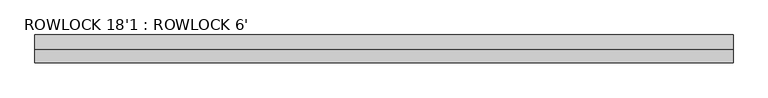
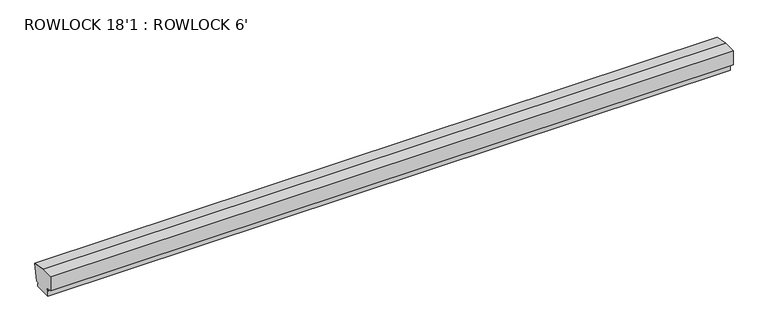
"""IFC4 building model written with IfcOpenShell, lengths in millimetres: proxy geometry, ROWLOCK 18'1 : ROWLOCK 6'."""

from ifc_helpers import new_model, si_unit, point, frame, frame_2d, origin, place, context, project, spatial, polyline, circle_curve, trimmed, segment, composite_curve, outline, extrude, source, transform, mapped, element, save


def rowlock_18_1_rowlock_6_d29f3bc2(model_context):
    return source(origin(), model_context, "Body", "SweptSolid", [
        extrude(outline(composite_curve([segment(polyline([(54062.2745748, 483.39375), (53970.1995748, 483.39375), (53970.1995748, 513.9165567)]), True, "CONTINUOUS"), segment(trimmed(circle_curve(frame_2d((53970.1995748, 518.752526)), 4.8359692), [point((53970.1995748, 513.9165567))], [point((53971.8535737, 523.2968506))], True, "CARTESIAN"), True, "CONTINUOUS"), segment(polyline([(53971.8535737, 523.2968506), (53944.7772588, 528.0711355), (53944.7772588, 609.6), (54012.6428838, 609.6), (54090.9632308, 595.7900097), (54074.9745748, 505.1138358), (54062.2745748, 507.3531885)]), True, "CONTINUOUS"), segment(trimmed(circle_curve(frame_2d((54062.2745748, 502.5172192)), 4.8359692), [point((54062.2745748, 507.3531885))], [point((54062.2745748, 497.68125))], True, "CARTESIAN"), True, "CONTINUOUS"), segment(polyline([(54062.2745748, 497.68125), (54062.2745748, 483.39375)]), True, "CONTINUOUS")], self_intersect=False)), frame((430703.4273809, 0.0, 0.0), z_axis=(1.0, 0.0, 0.0), x_axis=(0.0, 1.0, 0.0)), (0.0, 0.0, 1.0), 3657.6),
    ])


if __name__ == "__main__":
    model = new_model("IFC4")
    model_context = context("Model", 3, world=origin())
    ifc_project = project(units=[si_unit("LENGTHUNIT", "METRE", prefix="MILLI")], contexts=[model_context])
    site = spatial("IfcSite", under=ifc_project)
    building = spatial("IfcBuilding", under=site)
    placement = place(None, origin())
    rowlock_18_1_rowlock_6_shape = rowlock_18_1_rowlock_6_d29f3bc2(model_context)
    element("IfcBuildingElementProxy", 1, Name="ROWLOCK 18'1 : ROWLOCK 6'", ObjectType="ROWLOCK 18'1 : ROWLOCK 6'", at=placement, inside=building, context=model_context, shape_type="MappedRepresentation", body=[
        mapped(rowlock_18_1_rowlock_6_shape, transform((0.0, 0.0, 0.0), x_axis=(1.0, 0.0, 0.0), y_axis=(0.0, 1.0, 0.0), z_axis=(0.0, 0.0, 1.0))),
    ])
    save(model, "model.ifc")
